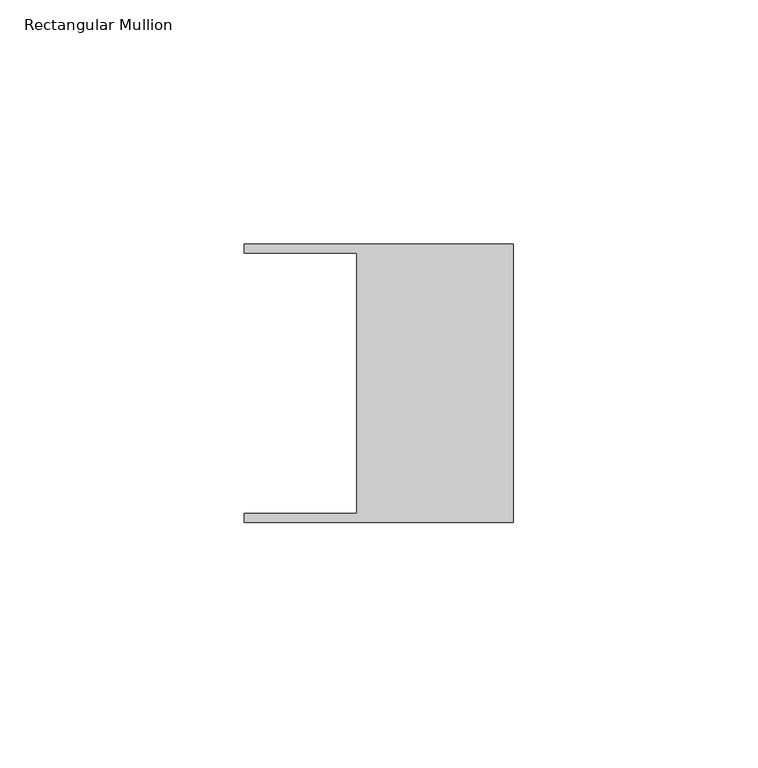
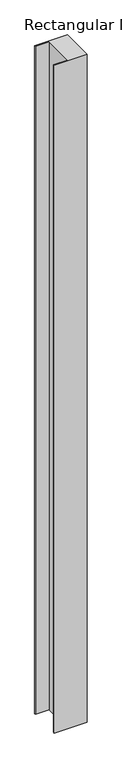
"""IFC4 building model written with IfcOpenShell, lengths in millimetres: member geometry, Rectangular Mullion."""

from ifc_helpers import new_model, si_unit, frame, origin, place, context, project, spatial, polyline, outline, extrude, source, transform, mapped, element, save


def rectangular_mullion_18ab5015(model_context):
    return source(origin(), model_context, "Body", "SweptSolid", [
        extrude(outline(polyline([(-32.004, -26.67), (-32.004, 26.67), (-54.991, 26.67), (-54.991, 28.448), (0.0, 28.448), (0.0, -28.448), (-54.991, -28.448), (-54.991, -26.67), (-32.004, -26.67)])), frame((0.0, 0.0, -1187.45), z_axis=(0.0, 0.0, 1.0), x_axis=(1.0, 0.0, 0.0)), (0.0, 0.0, 1.0), 1187.45),
    ])


if __name__ == "__main__":
    model = new_model("IFC4")
    model_context = context("Model", 3, world=origin())
    ifc_project = project(units=[si_unit("LENGTHUNIT", "METRE", prefix="MILLI")], contexts=[model_context])
    site = spatial("IfcSite", under=ifc_project)
    building = spatial("IfcBuilding", under=site)
    placement = place(None, origin())
    rectangular_mullion_shape = rectangular_mullion_18ab5015(model_context)
    element("IfcMember", 1, ObjectType="Rectangular Mullion", at=placement, inside=building, context=model_context, shape_type="MappedRepresentation", body=[
        mapped(rectangular_mullion_shape, transform((0.0, 0.0, 0.0), x_axis=(1.0, 0.0, 0.0), y_axis=(0.0, 1.0, 0.0), z_axis=(0.0, 0.0, 1.0))),
    ])
    save(model, "model.ifc")
